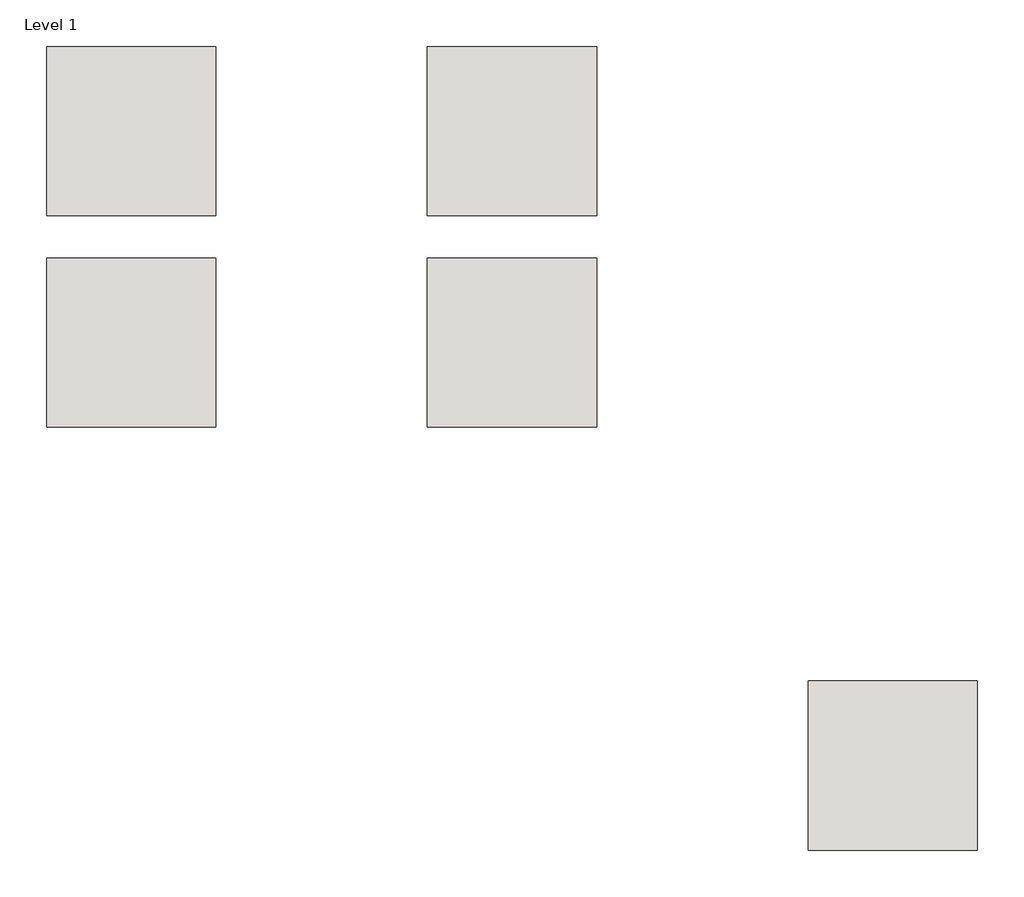
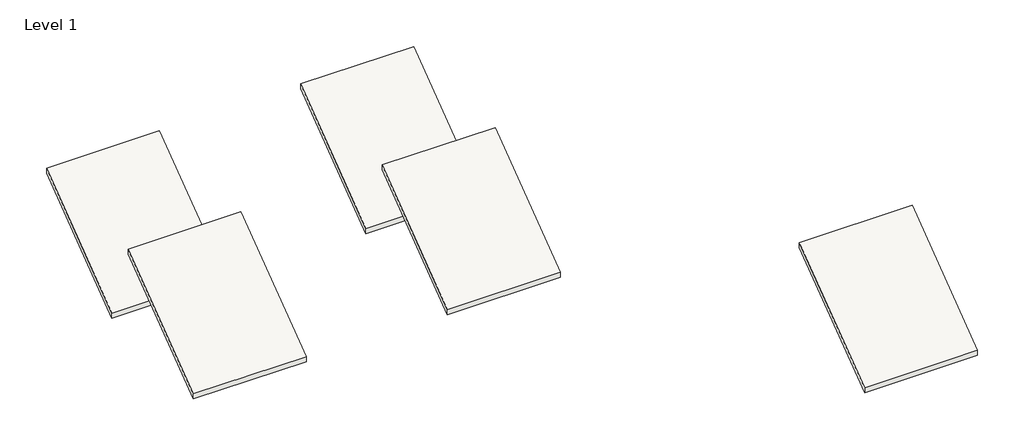
# One storey, part 8 of 10: 5 roofs.
"""IFC4 building model written with IfcOpenShell, lengths in millimetres."""

from ifc_helpers import new_model, si_unit, frame, origin, place, context, project, spatial, polyline, outline, extrude, element, save

model = new_model("IFC4")

# Units and contexts
model_context = context("Model", 3, world=origin())
ifc_project = project(units=[si_unit("LENGTHUNIT", "METRE", prefix="MILLI")], contexts=[model_context])

# Site, building, storey
site = spatial("IfcSite", under=ifc_project)
building = spatial("IfcBuilding", under=site)
storey = spatial("IfcBuildingStorey", under=building, Name="Level 1", Elevation=0.0)

# Roofs
placement = place(None, origin())
element("IfcRoof", 1, at=placement, inside=storey, context=model_context, shape_type="SweptSolid", body=[
    extrude(outline(polyline([(191873.0242732, -45942.0854012), (197969.0242732, -41370.0854012), (197969.0242732, -41655.8354012), (191873.0242732, -46227.8354012), (191873.0242732, -45942.0854012)])), frame((94103.5288668, 0.0, 0.0), z_axis=(1.0, 0.0, 0.0), x_axis=(0.0, 1.0, 0.0)), (0.0, 0.0, 1.0), 6096.0),
])
element("IfcRoof", 2, at=placement, inside=storey, context=model_context, shape_type="SweptSolid", body=[
    extrude(outline(polyline([(207113.0242732, -45942.0854012), (213209.0242732, -41370.0854012), (213209.0242732, -41655.8354012), (207113.0242732, -46227.8354012), (207113.0242732, -45942.0854012)])), frame((66671.5288668, 0.0, 0.0), z_axis=(1.0, 0.0, 0.0), x_axis=(0.0, 1.0, 0.0)), (0.0, 0.0, 1.0), 6096.0),
])
element("IfcRoof", 3, at=placement, inside=storey, context=model_context, shape_type="SweptSolid", body=[
    extrude(outline(polyline([(207113.0242732, -45942.0854012), (213209.0242732, -41370.0854012), (213209.0242732, -41655.8354012), (207113.0242732, -46227.8354012), (207113.0242732, -45942.0854012)])), frame((80387.5288668, 0.0, 0.0), z_axis=(1.0, 0.0, 0.0), x_axis=(0.0, 1.0, 0.0)), (0.0, 0.0, 1.0), 6096.0),
])
element("IfcRoof", 4, at=placement, inside=storey, context=model_context, shape_type="SweptSolid", body=[
    extrude(outline(polyline([(214733.0242732, -45942.0854012), (220829.0242732, -41370.0854012), (220829.0242732, -41655.8354012), (214733.0242732, -46227.8354012), (214733.0242732, -45942.0854012)])), frame((66671.5288668, 0.0, 0.0), z_axis=(1.0, 0.0, 0.0), x_axis=(0.0, 1.0, 0.0)), (0.0, 0.0, 1.0), 6096.0),
])
element("IfcRoof", 5, at=placement, inside=storey, context=model_context, shape_type="SweptSolid", body=[
    extrude(outline(polyline([(214733.0242732, -45942.0854012), (220829.0242732, -41370.0854012), (220829.0242732, -41655.8354012), (214733.0242732, -46227.8354012), (214733.0242732, -45942.0854012)])), frame((80387.5288668, 0.0, 0.0), z_axis=(1.0, 0.0, 0.0), x_axis=(0.0, 1.0, 0.0)), (0.0, 0.0, 1.0), 6096.0),
])

save(model, "model.ifc")
